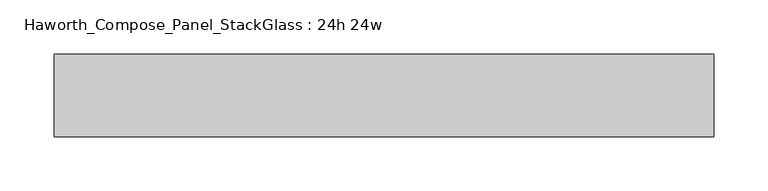
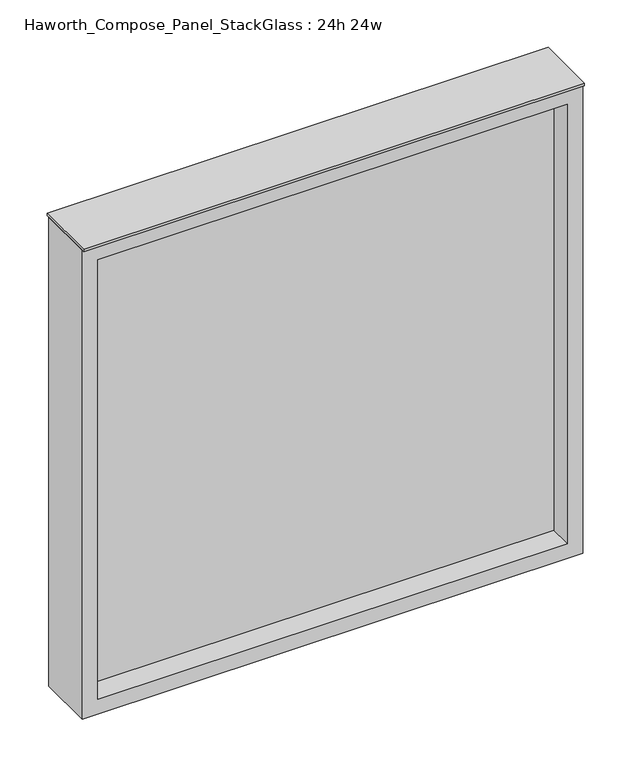
"""IFC4 building model written with IfcOpenShell, lengths in millimetres: furniture geometry, Haworth_Compose_Panel_StackGlass : 24h 24w."""

from ifc_helpers import new_model, si_unit, frame, origin, place, context, project, spatial, polyline, outline, extrude, source, transform, mapped, element, save


def haworth_compose_panel_stackglass_24h_24w_91838130(model_context):
    return source(origin(), model_context, "Body", "SweptSolid", [
        extrude(outline(polyline([(288.1902902, -6.35), (-283.3097098, -6.35), (-283.3097098, 6.35), (288.1902902, 6.35), (288.1902902, -6.35)])), frame((0.0, 0.0, 1085.85), z_axis=(0.0, 0.0, 1.0), x_axis=(1.0, 0.0, 0.0)), (0.0, 0.0, 1.0), 565.15),
        extrude(outline(polyline([(1670.05, -302.3597098), (1066.8, -302.3597098), (1066.8, 307.2402902), (1670.05, 307.2402902), (1670.05, -302.3597098)]), holes=[polyline([(1651.0, 288.1902902), (1085.85, 288.1902902), (1085.85, -283.3097098), (1651.0, -283.3097098), (1651.0, 288.1902902)])]), frame((0.0, -34.925, 0.0), z_axis=(0.0, 1.0, 0.0), x_axis=(0.0, 0.0, 1.0)), (0.0, 0.0, 1.0), 69.85),
        extrude(outline(polyline([(-302.3597098, -38.1), (-302.3597098, 38.1), (307.2402902, 38.1), (307.2402902, -38.1), (-302.3597098, -38.1)])), frame((0.0, 0.0, 1670.05), z_axis=(0.0, 0.0, 1.0), x_axis=(1.0, 0.0, 0.0)), (0.0, 0.0, 1.0), 3.175),
    ])


if __name__ == "__main__":
    model = new_model("IFC4")
    model_context = context("Model", 3, world=origin())
    ifc_project = project(units=[si_unit("LENGTHUNIT", "METRE", prefix="MILLI")], contexts=[model_context])
    site = spatial("IfcSite", under=ifc_project)
    building = spatial("IfcBuilding", under=site)
    placement = place(None, origin())
    haworth_compose_panel_stackglass_24h_24w_shape = haworth_compose_panel_stackglass_24h_24w_91838130(model_context)
    element("IfcFurniture", 1, ObjectType="Haworth_Compose_Panel_StackGlass : 24h 24w", at=placement, inside=building, context=model_context, shape_type="MappedRepresentation", body=[
        mapped(haworth_compose_panel_stackglass_24h_24w_shape, transform((0.0, 0.0, 0.0), x_axis=(1.0, 0.0, 0.0), y_axis=(0.0, 1.0, 0.0), z_axis=(0.0, 0.0, 1.0))),
    ])
    save(model, "model.ifc")
